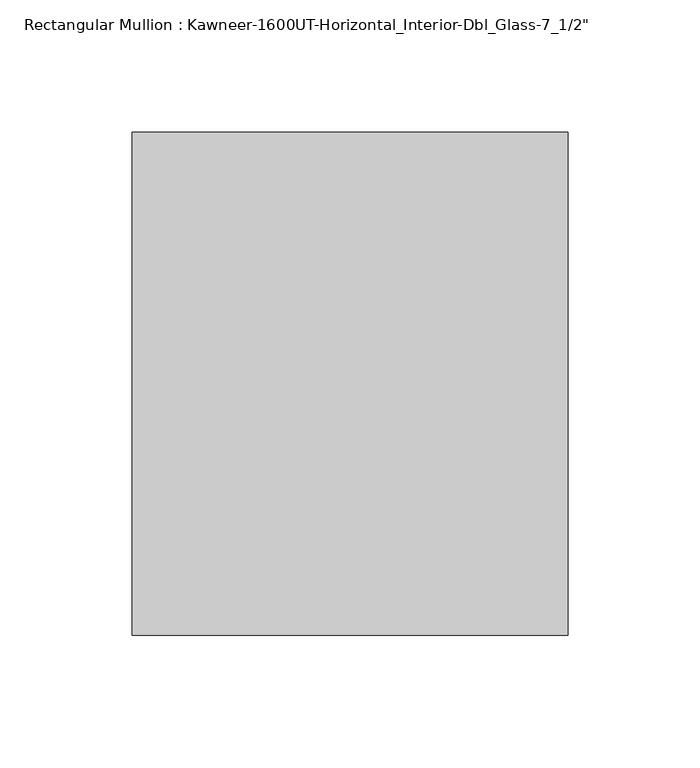
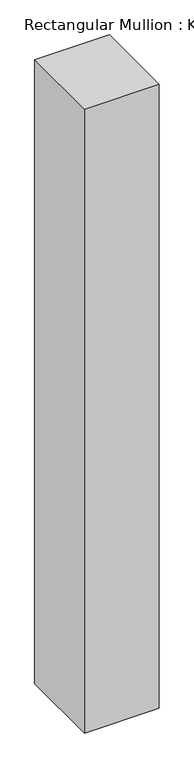
"""IFC4 building model written with IfcOpenShell, lengths in millimetres: member geometry."""

import ifcopenshell
import ifcopenshell.guid

model = None  # the IFC model being written
_history = None  # IfcOwnerHistory: only IFC2X3 demands one
_inside = {}  # id of a spatial element -> (the spatial element, [elements in it])
_under = {}  # id of a project, library or spatial element -> (it, [spatial elements below it])
_declared = {}  # id of a project -> (the project, [libraries it declares])
_typed = {}  # id of a type object -> (the type object, [elements of that type])
_made_of = {}  # id of a material, layer set ... -> (it, [elements and type objects made of it])


def new_model(schema):
    """Start an empty IFC model of exactly this schema.

    Asked for "IFC4X3", IfcOpenShell would pick the latest addendum, in which some entities
    have other attributes; the version numbers below select the first issue.
    IFC2X3 requires an IfcOwnerHistory on every rooted entity: one is made here for all.
    """
    global model, _history
    if schema == "IFC4X3":
        model = ifcopenshell.file(schema_version=(4, 3, 0, 0))
    else:
        model = ifcopenshell.file(schema=schema)
    _inside.clear()
    _under.clear()
    _declared.clear()
    _typed.clear()
    _made_of.clear()
    _history = None
    if model.schema == "IFC2X3":
        org = make("IfcOrganization", Name="unknown")
        user = make(
            "IfcPersonAndOrganization",
            ThePerson=make("IfcPerson", FamilyName="unknown"),
            TheOrganization=org,
        )
        app = make(
            "IfcApplication",
            ApplicationDeveloper=org,
            Version="unknown",
            ApplicationFullName="unknown",
            ApplicationIdentifier="unknown",
        )
        _history = make(
            "IfcOwnerHistory",
            OwningUser=user,
            OwningApplication=app,
            ChangeAction="ADDED",
            CreationDate=0,
        )
    return model


def make(cls, **values):
    """One entity of the class cls with the attributes given. An attribute that is None is left unset."""
    return model.create_entity(
        cls, **{name: value for name, value in values.items() if value is not None}
    )


def rooted(cls, **values):
    """An entity with a GlobalId (a new one), such as an element, a storey or a relation."""
    return make(cls, GlobalId=ifcopenshell.guid.new(), OwnerHistory=_history, **values)


def si_unit(unit_type, name, prefix=None):
    """IfcSIUnit, for example si_unit("LENGTHUNIT", "METRE", prefix="MILLI")."""
    return make("IfcSIUnit", UnitType=unit_type, Prefix=prefix, Name=name)


def assignment(units):
    """IfcUnitAssignment: the units of a project."""
    return None if units is None else make("IfcUnitAssignment", Units=units)


def point(xyz):
    """IfcCartesianPoint."""
    return None if xyz is None else make("IfcCartesianPoint", Coordinates=xyz)


def direction(xyz):
    """IfcDirection."""
    return None if xyz is None else make("IfcDirection", DirectionRatios=xyz)


def frame(location, z_axis=None, x_axis=None):
    """IfcAxis2Placement3D, a coordinate frame: its origin and axes. An axis left out is left unset."""
    return make(
        "IfcAxis2Placement3D",
        Location=point(location),
        Axis=direction(z_axis),
        RefDirection=direction(x_axis),
    )


def origin():
    """The frame at (0, 0, 0) with its axes left unset."""
    return frame((0.0, 0.0, 0.0))


def place(relative_to, where):
    """IfcLocalPlacement: puts the frame where relative to a parent placement (None: the world)."""
    return make(
        "IfcLocalPlacement", PlacementRelTo=relative_to, RelativePlacement=where
    )


def context(
    kind, dimensions, precision=None, world=None, true_north=None, identifier=None
):
    """IfcGeometricRepresentationContext, for example the 3D "Model" context."""
    return make(
        "IfcGeometricRepresentationContext",
        ContextIdentifier=identifier,
        ContextType=kind,
        CoordinateSpaceDimension=dimensions,
        Precision=precision,
        WorldCoordinateSystem=world,
        TrueNorth=true_north,
    )


def project(units=None, contexts=None):
    """IfcProject with its units and contexts."""
    return rooted(
        "IfcProject",
        Name="project",
        RepresentationContexts=contexts,
        UnitsInContext=assignment(units),
    )


def spatial(cls, under=None, at=None, **own):
    """A site, building, storey or space (cls), placed at a placement, below another one or the project."""
    s = rooted(cls, ObjectPlacement=at, **own)
    if under is not None:
        _under.setdefault(under.id(), (under, []))[1].append(s)
    return s


def polyline(points):
    """IfcPolyline through the points."""
    return make("IfcPolyline", Points=[point(p) for p in points])


def outline(outer, holes=None, kind="AREA"):
    """IfcArbitraryClosedProfileDef: a profile drawn as a closed curve; with holes, ...WithVoids."""
    if holes is None:
        return make("IfcArbitraryClosedProfileDef", ProfileType=kind, OuterCurve=outer)
    return make(
        "IfcArbitraryProfileDefWithVoids",
        ProfileType=kind,
        OuterCurve=outer,
        InnerCurves=holes,
    )


def extrude(swept, where, along, depth):
    """IfcExtrudedAreaSolid: the profile swept, set in the frame where, extruded along a direction by depth."""
    return make(
        "IfcExtrudedAreaSolid",
        SweptArea=swept,
        Position=where,
        ExtrudedDirection=direction(along),
        Depth=depth,
    )


def shape(context_of_items, identifier, shape_type, items):
    """IfcShapeRepresentation: the items that make up one representation, for example the "Body"."""
    return make(
        "IfcShapeRepresentation",
        ContextOfItems=context_of_items,
        RepresentationIdentifier=identifier,
        RepresentationType=shape_type,
        Items=items,
    )


def source(mapping_origin, context_of_items, identifier, shape_type, items):
    """IfcRepresentationMap: a shape defined once, which mapped items show again and again."""
    return make(
        "IfcRepresentationMap",
        MappingOrigin=mapping_origin,
        MappedRepresentation=shape(context_of_items, identifier, shape_type, items),
    )


def transform(
    local_origin,
    x_axis=None,
    y_axis=None,
    z_axis=None,
    scale=None,
    scale2=None,
    scale3=None,
    uniform=True,
):
    """IfcCartesianTransformationOperator3D, or its non-uniform kind. x_axis, y_axis, z_axis: its Axis1, 2, 3."""
    if uniform:
        return make(
            "IfcCartesianTransformationOperator3D",
            Axis1=direction(x_axis),
            Axis2=direction(y_axis),
            LocalOrigin=point(local_origin),
            Scale=scale,
            Axis3=direction(z_axis),
        )
    return make(
        "IfcCartesianTransformationOperator3DnonUniform",
        Axis1=direction(x_axis),
        Axis2=direction(y_axis),
        LocalOrigin=point(local_origin),
        Scale=scale,
        Axis3=direction(z_axis),
        Scale2=scale2,
        Scale3=scale3,
    )


def mapped(mapping_source, mapping_target):
    """IfcMappedItem: shows the shape of a source again, moved by a transform."""
    return make(
        "IfcMappedItem", MappingSource=mapping_source, MappingTarget=mapping_target
    )


def made_of(thing, what):
    """Note that an element or type object is made of a material, layer set ...; save() writes the relation."""
    if what is not None:
        _made_of.setdefault(what.id(), (what, []))[1].append(thing)
    return thing


def element(
    cls,
    number,
    at=None,
    inside=None,
    cuts=None,
    type_object=None,
    material=None,
    context=None,
    identifier="Body",
    shape_type=None,
    held_by="IfcProductDefinitionShape",
    body=None,
    shapes=None,
    **own,
):
    """One element of the class cls, such as IfcWall. Its Tag is "e" and its number.

    at: its placement. inside: the storey or other place that contains it. cuts: it is an
    opening in that element (IfcRelVoidsElement). A single representation is given by context,
    identifier, shape_type and body (its items); several are given by shapes. held_by: the class
    of the entity that holds the representations. save() writes the other relations.
    """
    e = rooted(cls, Tag="e%d" % number, ObjectPlacement=at, **own)
    if body is not None:
        shapes = [shape(context, identifier, shape_type, body)]
    if shapes is not None:
        e.Representation = make(held_by, Representations=shapes)
    if inside is not None:
        _inside.setdefault(inside.id(), (inside, []))[1].append(e)
    if cuts is not None:
        rooted(
            "IfcRelVoidsElement", RelatingBuildingElement=cuts, RelatedOpeningElement=e
        )
    if type_object is not None:
        _typed.setdefault(type_object.id(), (type_object, []))[1].append(e)
    return made_of(e, material)


def aggregate(whole, parts):
    """IfcRelAggregates: a whole, such as a stair, and the parts it consists of."""
    return rooted("IfcRelAggregates", RelatingObject=whole, RelatedObjects=parts)


def save(model, path):
    """Write the relations noted so far, then the file.

    IfcRelAggregates (storeys below a building ...), IfcRelContainedInSpatialStructure (elements
    in a storey), IfcRelDefinesByType, IfcRelAssociatesMaterial and IfcRelDeclares: one each for
    every whole, place, type object, material and project.
    """
    for whole, parts in _under.values():
        aggregate(whole, parts)
    for where, things in _inside.values():
        rooted(
            "IfcRelContainedInSpatialStructure",
            RelatedElements=things,
            RelatingStructure=where,
        )
    for kind, things in _typed.values():
        rooted("IfcRelDefinesByType", RelatedObjects=things, RelatingType=kind)
    for what, things in _made_of.values():
        rooted("IfcRelAssociatesMaterial", RelatedObjects=things, RelatingMaterial=what)
    for by, libraries in _declared.values():
        rooted("IfcRelDeclares", RelatingContext=by, RelatedDefinitions=libraries)
    model.write(path)


def member_0d9bb052(model_context):
    return source(origin(), model_context, "Body", "SweptSolid", [
        extrude(outline(polyline([(-82.5540665, -152.4), (-82.5540665, 38.1), (82.5540665, 38.1), (82.5540665, -152.4), (-82.5540665, -152.4)])), frame((0.0, 0.0, -1458.9125), z_axis=(0.0, 0.0, 1.0), x_axis=(1.0, 0.0, 0.0)), (0.0, 0.0, 1.0), 1458.9125),
    ])


if __name__ == "__main__":
    model = new_model("IFC4")
    model_context = context("Model", 3, world=origin())
    ifc_project = project(units=[si_unit("LENGTHUNIT", "METRE", prefix="MILLI")], contexts=[model_context])
    site = spatial("IfcSite", under=ifc_project)
    building = spatial("IfcBuilding", under=site)
    placement = place(None, origin())
    member_shape = member_0d9bb052(model_context)
    element("IfcMember", 1, ObjectType="Rectangular Mullion : Kawneer-1600UT-Horizontal_Interior-Dbl_Glass-7_1/2\"", at=placement, inside=building, context=model_context, shape_type="MappedRepresentation", body=[
        mapped(member_shape, transform((0.0, 0.0, 0.0), x_axis=(1.0, 0.0, 0.0), y_axis=(0.0, 1.0, 0.0), z_axis=(0.0, 0.0, 1.0))),
    ])
    save(model, "model.ifc")
